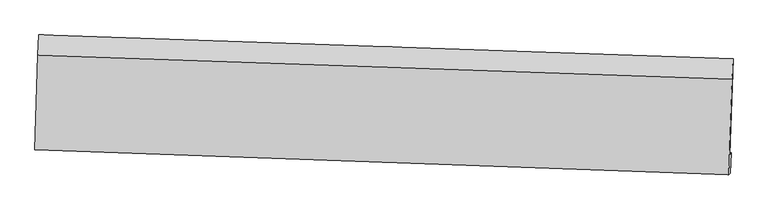
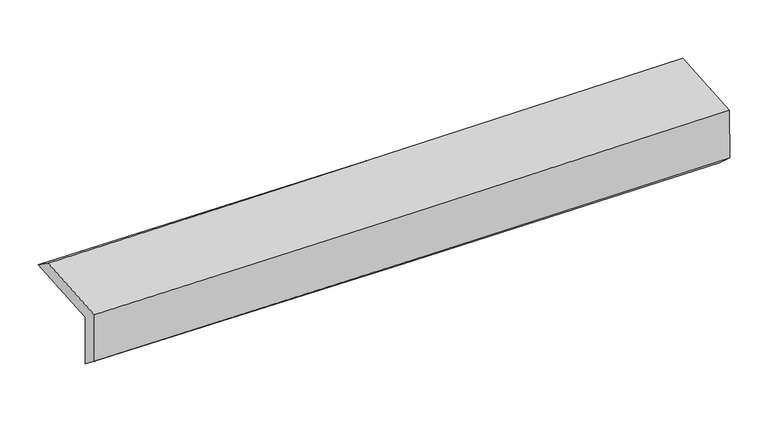
"""IFC4 building model written with IfcOpenShell, lengths in millimetres: proxy geometry."""

from ifc_helpers import new_model, si_unit, frame, origin, place, context, project, spatial, source, transform, mapped, element, save
from ifc_brep_helpers import plane_surface, spline_curve, spline_surface, advanced_brep


def generic_models_fb60a797(model_context):
    return source(origin(), model_context, "Body", "AdvancedBrep", [
        advanced_brep(
        [(-2440.9566703, -1726.1920775, 1999.6801761), (-2419.7019275, -1056.8569681, 2018.7554726), (2428.4991815, -1223.0516597, 2092.9508694), (2406.6225685, -1892.3664065, 2073.8641378), (-2433.4247834, -1715.3102386, 1609.4537312), (2414.4452432, -1881.0644464, 1668.5720049), (-2439.4901476, -1846.3207478, 1709.252795), (2407.3551036, -2022.8984617, 1798.0918519), (-2447.0751786, -1857.2793676, 2102.2326286), (2399.6726719, -2033.9978031, 2196.1180093), (-2426.2172998, -1200.4419402, 2120.9517552), (2421.4673533, -1367.1897526, 2215.1332578)],
        [
            (0, 1),
            (1, 2, spline_curve(3, [(-2419.7019275, -1056.8569681, 2018.7554726), (-1608.234389627, -1084.218881241, 2025.520224218), (-796.820907103, -1111.807337521, 2035.122635896), (819.245246281, -1167.209267815, 2059.900778766), (1623.898800338, -1195.019042157, 2075.03016563), (2428.4991815, -1223.0516597, 2092.9508694)], [4, 2, 4], [0.0, 7.99100236165014, 15.916482907159262])),
            (2, 3),
            (3, 0, spline_curve(3, [(2406.6225685, -1892.3664065, 2073.8641378), (1602.233115285, -1861.020644846, 2056.039895582), (797.736856194, -1831.549161722, 2040.959882972), (-818.121117021, -1776.126600483, 2016.186333599), (-1629.484604192, -1750.206640461, 2006.53835905), (-2440.9566703, -1726.1920775, 1999.6801761)], [4, 2, 4], [0.0, 7.925480545509122, 15.916482907159262])),
            (4, 0),
            (3, 5),
            (5, 4, spline_curve(3, [(2414.4452432, -1881.0644464, 1668.5720049), (1610.040574188, -1849.740667836, 1651.536080374), (805.512642846, -1820.314944022, 1638.097007604), (-810.441986166, -1765.032028248, 1618.331198638), (-1621.870730145, -1739.206349543, 1612.064179938), (-2433.4247834, -1715.3102386, 1609.4537312)], [4, 2, 4], [0.0, 7.925054464668604, 15.915627222967467])),
            (6, 4),
            (5, 7),
            (7, 6, spline_curve(3, [(2407.3551036, -2022.8984617, 1798.0918519), (1602.950826704, -1993.175097915, 1779.395812066), (798.50778835, -1963.658327651, 1762.666882267), (-817.10665185, -1904.795659606, 1733.021203691), (-1628.278697239, -1875.453192016, 1720.13711439), (-2439.4901476, -1846.3207478, 1709.252795)], [4, 2, 4], [0.0, 7.924889521679898, 15.915295973367481])),
            (8, 6),
            (7, 9),
            (9, 8, spline_curve(3, [(2399.6726719, -2033.9978031, 2196.1180093), (1595.252991384, -2004.296694035, 2178.220030042), (790.810269582, -1974.779466246, 2161.47470124), (-824.771964702, -1915.870268266, 2130.160437216), (-1635.911859792, -1886.481350808, 2115.61063889), (-2447.0751786, -1857.2793676, 2102.2326286)], [4, 2, 4], [0.0, 7.924729443095264, 15.914974492790815])),
            (10, 8),
            (9, 11),
            (11, 10, spline_curve(3, [(2421.4673533, -1367.1897526, 2215.1332578), (1616.889362193, -1339.157101025, 2197.18569635), (812.289733529, -1311.301594663, 2180.391000638), (-803.604791425, -1255.716049403, 2148.978025464), (-1614.900047278, -1227.988951509, 2134.37888708), (-2426.2172998, -1200.4419402, 2120.9517552)], [4, 2, 4], [0.0, 7.925204335949587, 15.915928204550646])),
            (1, 10),
            (11, 2),
        ],
        [
            spline_surface(3, 3, [[(-2440.9566703, -1726.1920775, 1999.6801761), (-1629.48460406, -1750.206640505, 2006.53835912), (-818.121116919, -1776.126600449, 2016.1863337), (797.736856093, -1831.549161756, 2040.959882872), (1602.233115175, -1861.020644816, 2056.03989554), (2406.6225685, -1892.3664065, 2073.8641378)], [(-2433.871756035, -1503.080374363, 2006.038608258), (-1622.401199218, -1528.210720783, 2012.865647454), (-811.021046996, -1554.686846114, 2022.498434486), (804.906319524, -1610.102530445, 2047.273514815), (1609.455010214, -1639.020110638, 2062.369985596), (2413.914772832, -1669.261490921, 2080.226381653)], [(-2426.786841765, -1279.968671237, 2012.397040442), (-1615.317794373, -1306.214801073, 2019.192935812), (-803.920977104, -1333.247091813, 2028.810535223), (812.075782926, -1388.655899168, 2053.58714671), (1616.676905256, -1417.019576396, 2068.700075692), (2421.206977168, -1446.156575279, 2086.588625547)], [(-2419.7019275, -1056.8569681, 2018.7554726), (-1608.234389532, -1084.218881351, 2025.520224145), (-796.820907181, -1111.807337478, 2035.122636009), (819.245246358, -1167.209267857, 2059.900778654), (1623.898800296, -1195.019042218, 2075.030165748), (2428.4991815, -1223.0516597, 2092.9508694)]], [4, 4], [4, 2, 4], [0.0, 2.181574908564252], [0.0, 7.99100236165014, 15.916482907159262]),
            spline_surface(3, 3, [[(-2433.4247834, -1715.3102386, 1609.4537312), (-1621.870730266, -1739.206349459, 1612.064179963), (-810.441986172, -1765.0320283, 1618.33119855), (805.512642851, -1820.314943971, 1638.097007692), (1610.040574301, -1849.74066771, 1651.536080284), (2414.4452432, -1881.0644464, 1668.5720049)], [(-2435.935412375, -1718.937518223, 1739.529212857), (-1624.408688205, -1742.873113131, 1743.555573039), (-813.00169642, -1768.730219038, 1750.949576911), (802.920713933, -1824.059683254, 1772.384632729), (1607.438087944, -1853.500660057, 1786.370685359), (2411.837684985, -1884.831766411, 1803.669382523)], [(-2438.446041325, -1722.564797877, 1869.604694443), (-1626.94664612, -1746.539876833, 1875.046966044), (-815.561406672, -1772.428409711, 1883.56795534), (800.328785011, -1827.804422473, 1906.672257834), (1604.835601531, -1857.260652469, 1921.205290465), (2409.230126715, -1888.599086489, 1938.766760177)], [(-2440.9566703, -1726.1920775, 1999.6801761), (-1629.48460406, -1750.206640505, 2006.53835912), (-818.121116919, -1776.126600449, 2016.1863337), (797.736856093, -1831.549161756, 2040.959882872), (1602.233115175, -1861.020644816, 2056.03989554), (2406.6225685, -1892.3664065, 2073.8641378)]], [4, 4], [4, 2, 4], [0.0, 1.314201143389527], [0.0, 7.990572758298863, 15.915627222967467]),
            spline_surface(3, 3, [[(-2439.4901476, -1846.3207478, 1709.252795), (-1628.278697222, -1875.453191973, 1720.137114515), (-817.106651847, -1904.795659628, 1733.021203716), (798.507788348, -1963.65832763, 1762.666882242), (1602.950826685, -1993.175097937, 1779.395812036), (2407.3551036, -2022.8984617, 1798.0918519)], [(-2437.468359528, -1802.650578068, 1675.986440391), (-1626.142708232, -1830.037577804, 1684.112802989), (-814.885096626, -1858.20778251, 1694.791201992), (800.842739845, -1915.877199735, 1721.143590723), (1605.31407588, -1945.363621204, 1736.775901485), (2409.718483456, -1975.620456609, 1754.918569599)], [(-2435.446571472, -1758.980408332, 1642.720085809), (-1624.006719256, -1784.621963629, 1648.088491489), (-812.663541393, -1811.619905418, 1656.561200274), (803.177691354, -1868.096071865, 1679.62029921), (1607.677325106, -1897.552144443, 1694.155990836), (2412.081863344, -1928.342451491, 1711.745287201)], [(-2433.4247834, -1715.3102386, 1609.4537312), (-1621.870730266, -1739.206349459, 1612.064179963), (-810.441986172, -1765.0320283, 1618.33119855), (805.512642851, -1820.314943971, 1638.097007692), (1610.040574301, -1849.74066771, 1651.536080284), (2414.4452432, -1881.0644464, 1668.5720049)]], [4, 4], [4, 2, 4], [0.0, 0.6083412129663983], [0.0, 7.9904064516875835, 15.915295973367481]),
            spline_surface(3, 3, [[(-2447.0751786, -1857.2793676, 2102.2326286), (-1635.911859756, -1886.481350734, 2115.610638902), (-824.771964702, -1915.870268199, 2130.160437165), (790.810269582, -1974.779466312, 2161.474701291), (1595.25299136, -2004.296694021, 2178.220029978), (2399.6726719, -2033.9978031, 2196.1180093)], [(-2444.546834943, -1853.626494348, 1971.239350722), (-1633.367472254, -1882.805297829, 1983.786130762), (-822.216860404, -1912.178731996, 1997.780692684), (793.376109183, -1971.072420072, 2028.538761611), (1597.818936469, -2000.589495348, 2045.278623996), (2402.233482467, -2030.298022655, 2063.442623499)], [(-2442.018491257, -1849.973621052, 1840.246072878), (-1630.823084724, -1879.129244879, 1851.961622655), (-819.661756145, -1908.487195831, 1865.400948196), (795.941948746, -1967.36537387, 1895.602821922), (1600.384881577, -1996.882296611, 1912.337218018), (2404.794293033, -2026.598242145, 1930.767237701)], [(-2439.4901476, -1846.3207478, 1709.252795), (-1628.278697222, -1875.453191973, 1720.137114515), (-817.106651847, -1904.795659628, 1733.021203716), (798.507788348, -1963.65832763, 1762.666882242), (1602.950826685, -1993.175097937, 1779.395812036), (2407.3551036, -2022.8984617, 1798.0918519)]], [4, 4], [4, 2, 4], [0.0, 1.3064154003293387], [0.0, 7.9902450496955515, 15.914974492790815]),
            spline_surface(3, 3, [[(-2426.2172998, -1200.4419402, 2120.9517552), (-1614.900047402, -1227.988951549, 2134.3788871), (-803.604791516, -1255.716049423, 2148.978025549), (812.289733619, -1311.301594643, 2180.391000553), (1616.889362084, -1339.157100954, 2197.185696336), (2421.4673533, -1367.1897526, 2215.1332578)], [(-2433.169926061, -1419.387749308, 2114.712046328), (-1621.903984847, -1447.486417919, 2128.122804362), (-810.660515923, -1475.767455677, 2142.705496109), (805.129912262, -1532.460885195, 2174.085567487), (1609.677238509, -1560.87029864, 2190.863807536), (2414.202459499, -1589.459102764, 2208.794841619)], [(-2440.122552339, -1638.333558492, 2108.472337472), (-1628.90792231, -1666.983884364, 2121.866721641), (-817.716240296, -1695.818861944, 2136.432966605), (797.970090939, -1753.62017576, 2167.780134357), (1602.465114936, -1782.583496335, 2184.541918778), (2406.937565701, -1811.728452936, 2202.456425481)], [(-2447.0751786, -1857.2793676, 2102.2326286), (-1635.911859756, -1886.481350734, 2115.610638902), (-824.771964702, -1915.870268199, 2130.160437165), (790.810269582, -1974.779466312, 2161.474701291), (1595.25299136, -2004.296694021, 2178.220029978), (2399.6726719, -2033.9978031, 2196.1180093)]], [4, 4], [4, 2, 4], [0.0, 2.1732758535680254], [0.0, 7.990723868601059, 15.915928204550646]),
            spline_surface(3, 3, [[(-2419.7019275, -1056.8569681, 2018.7554726), (-1608.234389532, -1084.218881351, 2025.520224145), (-796.820907181, -1111.807337478, 2035.122636009), (819.245246358, -1167.209267857, 2059.900778654), (1623.898800296, -1195.019042218, 2075.030165748), (2428.4991815, -1223.0516597, 2092.9508694)], [(-2421.873718258, -1104.718625489, 2052.820900143), (-1610.45627548, -1132.142238106, 2061.80644514), (-799.082201968, -1159.776908141, 2073.074432507), (816.926742103, -1215.240043467, 2100.064185937), (1621.562320886, -1243.06506177, 2115.74867595), (2426.155238761, -1271.09769064, 2133.678332206)], [(-2424.045509042, -1152.580282811, 2086.886327657), (-1612.678161454, -1180.065594794, 2098.092666105), (-801.343496729, -1207.746478759, 2111.026229052), (814.608237874, -1263.270819033, 2140.227593269), (1619.225841494, -1291.111081402, 2156.467186133), (2423.811296039, -1319.14372166, 2174.405794994)], [(-2426.2172998, -1200.4419402, 2120.9517552), (-1614.900047402, -1227.988951549, 2134.3788871), (-803.604791516, -1255.716049423, 2148.978025549), (812.289733619, -1311.301594643, 2180.391000553), (1616.889362084, -1339.157100954, 2197.185696336), (2421.4673533, -1367.1897526, 2215.1332578)]], [4, 4], [4, 2, 4], [0.0, 0.609443374119219], [0.0, 7.991338744550832, 15.917152914806215]),
            plane_surface(frame((2413.0103537, -1736.7614217, 2007.4550218), z_axis=(0.9992805302060228, -0.03318520141728985, 0.018362035782124524), x_axis=(0.019290233371793804, 0.027869936630668522, -0.9994254116884683))),
            plane_surface(frame((-2434.4776679, -1567.06689, 1926.7210931), z_axis=(-0.9993104316238639, 0.03225716361402963, -0.01838849214331917), x_axis=(-0.03172614291408595, -0.999090957835061, -0.02847296661775204))),
        ],
        [
            (0, [[1, 2, 3, 4]]),
            (1, [[5, -4, 6, 7]]),
            (2, [[8, -7, 9, 10]]),
            (3, [[11, -10, 12, 13]]),
            (4, [[14, -13, 15, 16]]),
            (5, [[17, -16, 18, -2]]),
            (6, [[-12, -9, -6, -3, -18, -15]]),
            (7, [[-1, -5, -8, -11, -14, -17]]),
        ],
    ),
    ])


if __name__ == "__main__":
    model = new_model("IFC4")
    model_context = context("Model", 3, world=origin())
    ifc_project = project(units=[si_unit("LENGTHUNIT", "METRE", prefix="MILLI")], contexts=[model_context])
    site = spatial("IfcSite", under=ifc_project)
    building = spatial("IfcBuilding", under=site)
    placement = place(None, origin())
    generic_models_shape = generic_models_fb60a797(model_context)
    element("IfcBuildingElementProxy", 1, Name="Generic Models", at=placement, inside=building, context=model_context, shape_type="MappedRepresentation", body=[
        mapped(generic_models_shape, transform((0.0, 0.0, 0.0), x_axis=(1.0, 0.0, 0.0), y_axis=(0.0, 1.0, 0.0), z_axis=(0.0, 0.0, 1.0))),
    ])
    save(model, "model.ifc")
